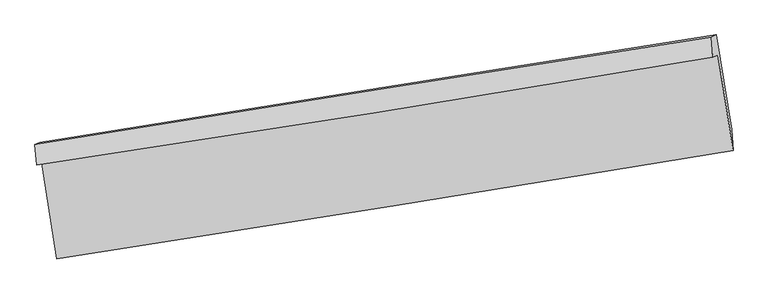
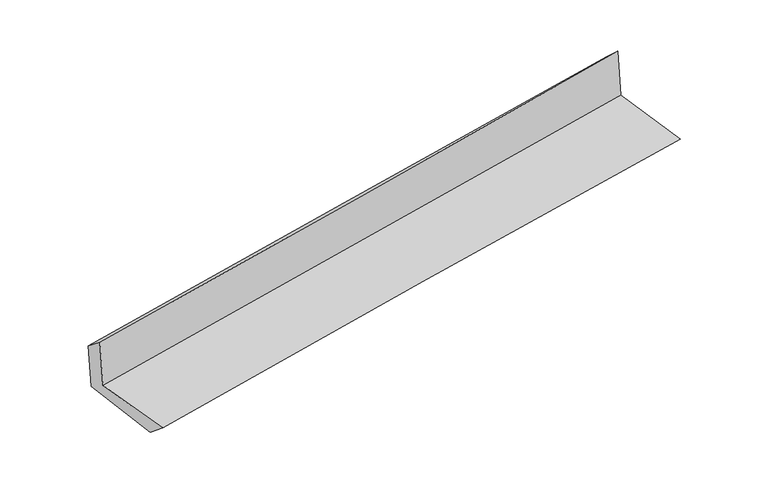
"""IFC4 building model written with IfcOpenShell, lengths in millimetres: proxy geometry."""

from ifc_helpers import new_model, si_unit, frame, origin, place, context, project, spatial, source, transform, mapped, element, save
from ifc_brep_helpers import plane_surface, spline_curve, spline_surface, advanced_brep


def generic_models_d839c2a4(model_context):
    return source(origin(), model_context, "Body", "AdvancedBrep", [
        advanced_brep(
        [(-2369.1865852, -1869.7788206, 1676.343032), (-2265.2234448, -2536.6531662, 1674.313066), (2417.6209054, -1782.6406127, 2086.7117381), (2313.1569329, -1121.6013071, 2104.8433429), (-2403.3687472, -1885.9937536, 2070.5664713), (2278.3715253, -1138.748881, 2507.1036104), (-2415.0514574, -1743.4629693, 1957.8277423), (2268.169699, -997.8679844, 2381.4163754), (-2382.7336793, -1728.1324409, 1585.1062739), (2300.7722724, -982.4023581, 2005.410358), (-2277.5064486, -2380.4796055, 1545.220279), (2407.1749067, -1638.4532775, 1958.1255465)],
        [
            (0, 1),
            (1, 2, spline_curve(3, [(-2265.2234448, -2536.6531662, 1674.313066), (-1481.763778576, -2415.508217197, 1755.051529539), (-698.162947787, -2291.827794523, 1829.906639559), (862.787512945, -2040.448179896, 1967.275181195), (1640.134798554, -1912.791084547, 2029.88629523), (2417.6209054, -1782.6406127, 2086.7117381)], [4, 2, 4], [0.0, 7.843020788120599, 15.620659575461387])),
            (2, 3),
            (3, 0, spline_curve(3, [(2313.1569329, -1121.6013071, 2104.8433429), (1536.462006619, -1252.118467135, 2039.97101935), (759.553354468, -1379.477482527, 1971.989030252), (-801.224210035, -1628.923307402, 1829.20809513), (-1585.096730165, -1750.956796579, 1754.356647375), (-2369.1865852, -1869.7788206, 1676.343032)], [4, 2, 4], [0.0, 7.777638787340788, 15.620659575461387])),
            (4, 0),
            (3, 5),
            (5, 4, spline_curve(3, [(2278.3715253, -1138.748881, 2507.1036104), (1501.973301588, -1268.80250563, 2438.270372928), (725.263471824, -1395.851712456, 2367.635496314), (-835.311358022, -1644.984061585, 2222.153534622), (-1619.18161909, -1767.016479095, 2147.276031514), (-2403.3687472, -1885.9937536, 2070.5664713)], [4, 2, 4], [0.0, 7.777557728220215, 15.620496775804245])),
            (6, 4),
            (5, 7),
            (7, 6, spline_curve(3, [(2268.169699, -997.8679844, 2381.4163754), (1490.823795085, -1120.151908508, 2309.748390129), (713.51576586, -1243.163662522, 2238.760235405), (-847.558592289, -1491.683035841, 2097.552546573), (-1631.324282017, -1617.202943548, 2027.344490151), (-2415.0514574, -1743.4629693, 1957.8277423)], [4, 2, 4], [0.0, 7.77746481722218, 15.620310172760467])),
            (8, 6),
            (7, 9),
            (9, 8, spline_curve(3, [(2300.7722724, -982.4023581, 2005.410358), (1523.27407755, -1104.758524181, 1935.498747401), (745.866049464, -1227.817714652, 1865.663881641), (-815.304123537, -1476.382539152, 1725.561224571), (-1599.064745945, -1601.900043323, 1655.294728941), (-2382.7336793, -1728.1324409, 1585.1062739)], [4, 2, 4], [0.0, 7.777495860708068, 15.620372520696437])),
            (10, 8),
            (9, 11),
            (11, 10, spline_curve(3, [(2407.1749067, -1638.4532775, 1958.1255465), (1629.588860741, -1762.237594377, 1891.705375478), (852.039591476, -1885.707780889, 1824.234953616), (-709.521481102, -2133.055193703, 1686.617596493), (-1493.532663542, -2256.927116514, 1616.452928852), (-2277.5064486, -2380.4796055, 1545.220279)], [4, 2, 4], [0.0, 7.777441966121274, 15.62026427846299])),
            (1, 10),
            (11, 2),
        ],
        [
            spline_surface(3, 3, [[(-2369.1865852, -1869.7788206, 1676.343032), (-1585.096730268, -1750.956796537, 1754.35664738), (-801.224209914, -1628.923307449, 1829.208095199), (759.553354349, -1379.477482479, 1971.989030184), (1536.462006687, -1252.118467051, 2039.971019325), (2313.1569329, -1121.6013071, 2104.8433429)], [(-2334.532205066, -2092.070269124, 1675.666376655), (-1550.652413055, -1972.473936723, 1754.588274737), (-766.870455833, -1849.891469814, 1829.440943291), (793.964740513, -1599.801048264, 1970.417747204), (1571.019603994, -1472.342672878, 2036.609444635), (2347.978257062, -1341.947742287, 2098.799474633)], [(-2299.877824934, -2314.361717676, 1674.989721345), (-1516.208095842, -2193.991076937, 1754.819902128), (-732.516701759, -2070.8596322, 1829.673791401), (828.376126672, -1820.124614071, 1968.846464241), (1605.577201314, -1692.566878745, 2033.247869948), (2382.799581238, -1562.294177513, 2092.755606367)], [(-2265.2234448, -2536.6531662, 1674.313066), (-1481.763778629, -2415.508217123, 1755.051529485), (-698.162947678, -2291.827794565, 1829.906639493), (862.787512836, -2040.448179855, 1967.275181261), (1640.134798621, -1912.791084572, 2029.886295259), (2417.6209054, -1782.6406127, 2086.7117381)]], [4, 4], [4, 2, 4], [0.0, 2.1979555465456775], [0.0, 7.843020788120599, 15.620659575461387]),
            spline_surface(3, 3, [[(-2403.3687472, -1885.9937536, 2070.5664713), (-1619.181619189, -1767.016479005, 2147.276031401), (-835.311358031, -1644.98406163, 2222.153534593), (725.263471833, -1395.851712411, 2367.635496343), (1501.973301463, -1268.802505554, 2438.270372871), (2278.3715253, -1138.748881, 2507.1036104)], [(-2391.974693199, -1880.588775941, 1939.158658215), (-1607.819989547, -1761.663251523, 2016.302903409), (-823.948975322, -1639.630476917, 2091.171721464), (736.693432675, -1390.393635781, 2235.753340958), (1513.46953652, -1263.241159386, 2305.503921718), (2289.966661149, -1133.033023033, 2373.016854596)], [(-2380.580639201, -1875.183798259, 1807.750845085), (-1596.45835991, -1756.310024019, 1885.329775372), (-812.586592623, -1634.276892163, 1960.189908328), (748.123393507, -1384.93555911, 2103.871185568), (1524.96577163, -1257.679813219, 2172.737470478), (2301.561797051, -1127.317165067, 2238.930098704)], [(-2369.1865852, -1869.7788206, 1676.343032), (-1585.096730268, -1750.956796537, 1754.35664738), (-801.224209914, -1628.923307449, 1829.208095199), (759.553354349, -1379.477482479, 1971.989030184), (1536.462006687, -1252.118467051, 2039.971019325), (2313.1569329, -1121.6013071, 2104.8433429)]], [4, 4], [4, 2, 4], [0.0, 1.2995282143875195], [0.0, 7.84293904758403, 15.620496775804245]),
            spline_surface(3, 3, [[(-2415.0514574, -1743.4629693, 1957.8277423), (-1631.324282014, -1617.202943454, 2027.344490254), (-847.558592342, -1491.683035841, 2097.552546506), (713.515765913, -1243.163662522, 2238.760235472), (1490.82379505, -1120.151908482, 2309.748390201), (2268.169699, -997.8679844, 2381.4163754)], [(-2411.157220685, -1790.973230738, 1995.40731864), (-1627.276727757, -1667.140788642, 2067.321670643), (-843.476180917, -1542.783377773, 2139.086209188), (717.431667874, -1294.059679154, 2281.718655748), (1494.540297196, -1169.702107516, 2352.589051061), (2271.570307775, -1044.828283277, 2423.31212037)], [(-2407.262983915, -1838.483492162, 2032.98689496), (-1623.229173446, -1717.078633817, 2107.298851012), (-839.393769456, -1593.883719698, 2180.619871911), (721.347569871, -1344.955695779, 2324.677076066), (1498.256799317, -1219.25230652, 2395.429712011), (2274.970916525, -1091.788582123, 2465.20786543)], [(-2403.3687472, -1885.9937536, 2070.5664713), (-1619.181619189, -1767.016479005, 2147.276031401), (-835.311358031, -1644.98406163, 2222.153534593), (725.263471833, -1395.851712411, 2367.635496343), (1501.973301463, -1268.802505554, 2438.270372871), (2278.3715253, -1138.748881, 2507.1036104)]], [4, 4], [4, 2, 4], [0.0, 0.65296154354522], [0.0, 7.842845355538287, 15.620310172760467]),
            spline_surface(3, 3, [[(-2382.7336793, -1728.1324409, 1585.1062739), (-1599.064746013, -1601.900043258, 1655.294728949), (-815.304123485, -1476.382539275, 1725.561224551), (745.866049412, -1227.81771453, 1865.66388166), (1523.274077453, -1104.758524198, 1935.498747381), (2300.7722724, -982.4023581, 2005.410358)], [(-2393.506271986, -1733.242617032, 1709.346763365), (-1609.817924666, -1607.001009988, 1779.31131605), (-826.055613095, -1481.482704777, 1849.558331894), (735.082621588, -1232.933030507, 1990.029332954), (1512.457316663, -1109.889652277, 2060.248628324), (2289.904747944, -987.557566851, 2130.745697137)], [(-2404.278864714, -1738.352793168, 1833.587252835), (-1620.571103361, -1612.101976723, 1903.327903154), (-836.807102732, -1486.582870339, 1973.555439164), (724.299193737, -1238.048346544, 2114.394784177), (1501.64055584, -1115.020780403, 2184.998509257), (2279.037223456, -992.712775649, 2256.081036263)], [(-2415.0514574, -1743.4629693, 1957.8277423), (-1631.324282014, -1617.202943454, 2027.344490254), (-847.558592342, -1491.683035841, 2097.552546506), (713.515765913, -1243.163662522, 2238.760235472), (1490.82379505, -1120.151908482, 2309.748390201), (2268.169699, -997.8679844, 2381.4163754)]], [4, 4], [4, 2, 4], [0.0, 1.2278571335801296], [0.0, 7.842876659988368, 15.620372520696437]),
            spline_surface(3, 3, [[(-2277.5064486, -2380.4796055, 1545.220279), (-1493.532663565, -2256.92711652, 1616.452928915), (-709.521481167, -2133.055193774, 1686.617596412), (852.039591541, -1885.707780819, 1824.234953697), (1629.588860856, -1762.237594253, 1891.705375355), (2407.1749067, -1638.4532775, 1958.1255465)], [(-2312.582192164, -2163.030550629, 1558.515610622), (-1528.710024378, -2038.584758761, 1629.400195581), (-744.782361935, -1914.164308954, 1699.598805794), (816.648410836, -1666.411092069, 1838.044596353), (1594.150599697, -1543.077904264, 1906.303166034), (2371.707361909, -1419.76963773, 1973.887150337)], [(-2347.657935736, -1945.581495771, 1571.810942278), (-1563.8873852, -1820.242401017, 1642.347462283), (-780.043242717, -1695.273424095, 1712.580015169), (781.257230117, -1447.11440328, 1851.854239003), (1558.712338612, -1323.918214187, 1920.900956702), (2336.239817191, -1201.08599787, 1989.648754163)], [(-2382.7336793, -1728.1324409, 1585.1062739), (-1599.064746013, -1601.900043258, 1655.294728949), (-815.304123485, -1476.382539275, 1725.561224551), (745.866049412, -1227.81771453, 1865.66388166), (1523.274077453, -1104.758524198, 1935.498747381), (2300.7722724, -982.4023581, 2005.410358)]], [4, 4], [4, 2, 4], [0.0, 2.1882418317669017], [0.0, 7.842822312341716, 15.62026427846299]),
            spline_surface(3, 3, [[(-2265.2234448, -2536.6531662, 1674.313066), (-1481.763778629, -2415.508217123, 1755.051529485), (-698.162947678, -2291.827794565, 1829.906639493), (862.787512836, -2040.448179855, 1967.275181261), (1640.134798621, -1912.791084572, 2029.886295259), (2417.6209054, -1782.6406127, 2086.7117381)], [(-2269.3177794, -2484.595312637, 1631.282137003), (-1485.686740275, -2362.647850259, 1708.851995965), (-701.949125515, -2238.903594299, 1782.143625124), (859.204872398, -1988.868046842, 1919.595105397), (1636.619486061, -1862.606587789, 1983.825988618), (2414.138905861, -1734.578167623, 2043.849674228)], [(-2273.412114, -2432.537459063, 1588.251207997), (-1489.609701919, -2309.787483384, 1662.652462435), (-705.735303331, -2185.979394039, 1734.380610781), (855.622231979, -1937.287913833, 1871.91502956), (1633.104173417, -1812.422091036, 1937.765681995), (2410.656906239, -1686.515722577, 2000.987610372)], [(-2277.5064486, -2380.4796055, 1545.220279), (-1493.532663565, -2256.92711652, 1616.452928915), (-709.521481167, -2133.055193774, 1686.617596412), (852.039591541, -1885.707780819, 1824.234953697), (1629.588860856, -1762.237594253, 1891.705375355), (2407.1749067, -1638.4532775, 1958.1255465)]], [4, 4], [4, 2, 4], [0.0, 0.6974885459665283], [0.0, 7.842888001138175, 15.620395108452497]),
            plane_surface(frame((2330.877707, -1276.9524035, 2173.9351619), z_axis=(0.9839732242878025, 0.15298441036753033, 0.09161039280106256), x_axis=(-0.08631103311686585, -0.040943215267425254, 0.9954265712175181))),
            plane_surface(frame((-2352.1783938, -2024.0834593, 1751.5628107), z_axis=(-0.9839524947638627, -0.15311552881623736, -0.09161398846952884), x_axis=(-0.15403487606519292, 0.988060833627763, 0.003007657957751325))),
        ],
        [
            (0, [[1, 2, 3, 4]]),
            (1, [[5, -4, 6, 7]]),
            (2, [[8, -7, 9, 10]]),
            (3, [[11, -10, 12, 13]]),
            (4, [[14, -13, 15, 16]]),
            (5, [[17, -16, 18, -2]]),
            (6, [[-12, -9, -6, -3, -18, -15]]),
            (7, [[-1, -5, -8, -11, -14, -17]]),
        ],
    ),
    ])


if __name__ == "__main__":
    model = new_model("IFC4")
    model_context = context("Model", 3, world=origin())
    ifc_project = project(units=[si_unit("LENGTHUNIT", "METRE", prefix="MILLI")], contexts=[model_context])
    site = spatial("IfcSite", under=ifc_project)
    building = spatial("IfcBuilding", under=site)
    placement = place(None, origin())
    generic_models_shape = generic_models_d839c2a4(model_context)
    element("IfcBuildingElementProxy", 1, Name="Generic Models", at=placement, inside=building, context=model_context, shape_type="MappedRepresentation", body=[
        mapped(generic_models_shape, transform((0.0, 0.0, 0.0), x_axis=(1.0, 0.0, 0.0), y_axis=(0.0, 1.0, 0.0), z_axis=(0.0, 0.0, 1.0))),
    ])
    save(model, "model.ifc")
